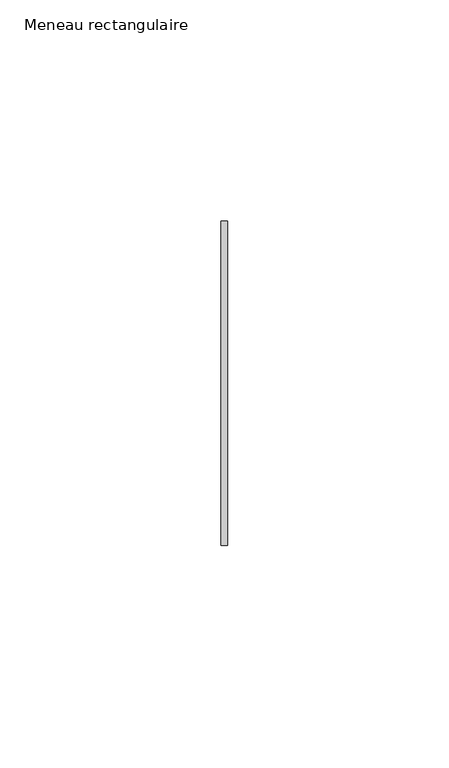
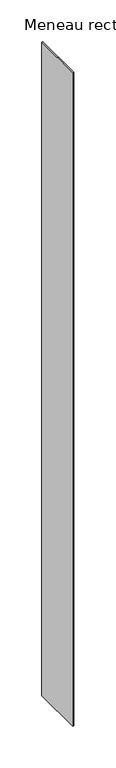
"""IFC4 building model written with IfcOpenShell, lengths in millimetres: member geometry, Meneau rectangulaire."""

from ifc_helpers import new_model, si_unit, frame, origin, place, context, project, spatial, polyline, outline, extrude, source, transform, mapped, element, save


def meneau_rectangulaire_82278c5c(model_context):
    return source(origin(), model_context, "Body", "SweptSolid", [
        extrude(outline(polyline([(-0.6, 36.6), (0.8, 36.6), (0.8, -36.6), (-0.6, -36.6), (-0.6, 36.6)])), frame((0.0, 0.0, -951.6208951), z_axis=(0.0, 0.0, 1.0), x_axis=(1.0, 0.0, 0.0)), (0.0, 0.0, 1.0), 951.6208951),
    ])


if __name__ == "__main__":
    model = new_model("IFC4")
    model_context = context("Model", 3, world=origin())
    ifc_project = project(units=[si_unit("LENGTHUNIT", "METRE", prefix="MILLI")], contexts=[model_context])
    site = spatial("IfcSite", under=ifc_project)
    building = spatial("IfcBuilding", under=site)
    placement = place(None, origin())
    meneau_rectangulaire_shape = meneau_rectangulaire_82278c5c(model_context)
    element("IfcMember", 1, ObjectType="Meneau rectangulaire", at=placement, inside=building, context=model_context, shape_type="MappedRepresentation", body=[
        mapped(meneau_rectangulaire_shape, transform((0.0, 0.0, 0.0), x_axis=(1.0, 0.0, 0.0), y_axis=(0.0, 1.0, 0.0), z_axis=(0.0, 0.0, 1.0))),
    ])
    save(model, "model.ifc")
